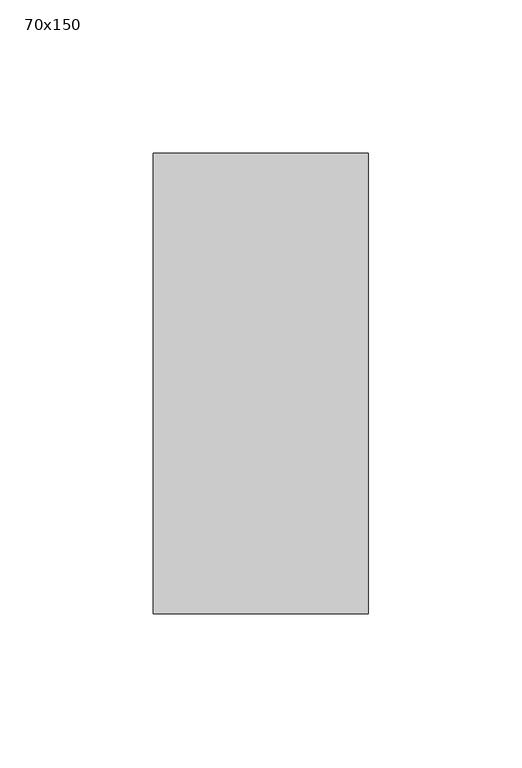
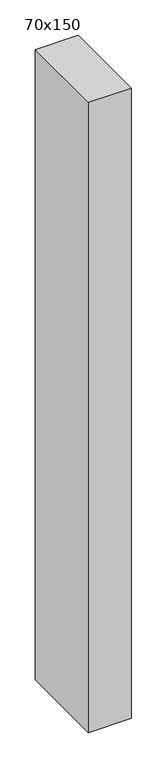
"""IFC4 building model written with IfcOpenShell, lengths in millimetres: member geometry, 70x150."""

from ifc_helpers import new_model, si_unit, frame, origin, place, context, project, spatial, polyline, outline, extrude, source, transform, mapped, element, save


def member_70x150_9fc08e81(model_context):
    return source(origin(), model_context, "Body", "SweptSolid", [
        extrude(outline(polyline([(0.0, 75.0), (0.0, -75.0), (-70.0, -75.0), (-70.0, 75.0), (0.0, 75.0)])), frame((0.0, 0.0, -1088.75), z_axis=(0.0, 0.0, 1.0), x_axis=(1.0, 0.0, 0.0)), (0.0, 0.0, 1.0), 1088.75),
    ])


if __name__ == "__main__":
    model = new_model("IFC4")
    model_context = context("Model", 3, world=origin())
    ifc_project = project(units=[si_unit("LENGTHUNIT", "METRE", prefix="MILLI")], contexts=[model_context])
    site = spatial("IfcSite", under=ifc_project)
    building = spatial("IfcBuilding", under=site)
    placement = place(None, origin())
    member_70x150_shape = member_70x150_9fc08e81(model_context)
    element("IfcMember", 1, ObjectType="70x150", at=placement, inside=building, context=model_context, shape_type="MappedRepresentation", body=[
        mapped(member_70x150_shape, transform((0.0, 0.0, 0.0), x_axis=(1.0, 0.0, 0.0), y_axis=(0.0, 1.0, 0.0), z_axis=(0.0, 0.0, 1.0))),
    ])
    save(model, "model.ifc")
